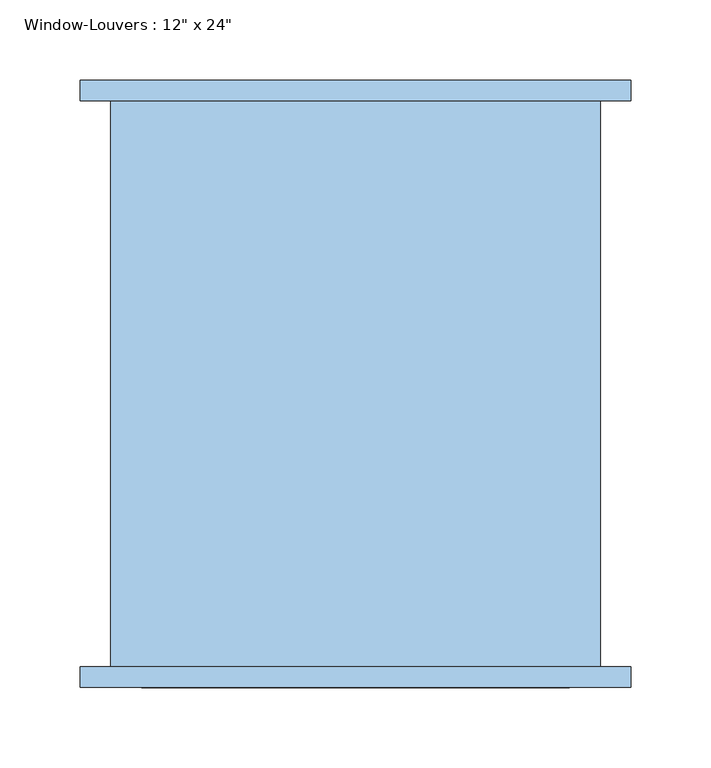
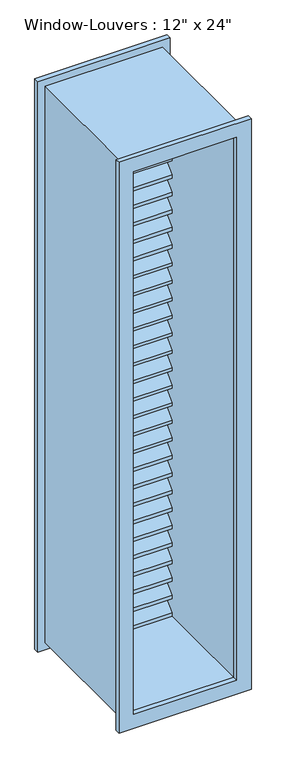
"""IFC4 building model written with IfcOpenShell, lengths in millimetres: window geometry."""

from ifc_helpers import new_model, si_unit, frame, origin, place, context, project, spatial, polyline, outline, extrude, source, transform, mapped, element, save


def window_11e31d5e(model_context):
    return source(origin(), model_context, "Body", "SweptSolid", [
        extrude(outline(polyline([(169.8625, 2333.2893419), (169.8625, 2324.3090857), (131.7625, 2362.4090857), (93.6625, 2324.3090857), (93.6625, 2333.2893419), (131.7625, 2371.3893419), (169.8625, 2333.2893419)])), frame((-133.35, 0.0, 0.0), z_axis=(1.0, 0.0, 0.0), x_axis=(0.0, 1.0, 0.0)), (0.0, 0.0, 1.0), 266.7),
        extrude(outline(polyline([(169.8625, 2285.3286837), (169.8625, 2276.3484276), (131.7625, 2314.4484276), (93.6625, 2276.3484276), (93.6625, 2285.3286837), (131.7625, 2323.4286837), (169.8625, 2285.3286837)])), frame((-133.35, 0.0, 0.0), z_axis=(1.0, 0.0, 0.0), x_axis=(0.0, 1.0, 0.0)), (0.0, 0.0, 1.0), 266.7),
        extrude(outline(polyline([(169.8625, 2237.3680256), (169.8625, 2228.3877695), (131.7625, 2266.4877695), (93.6625, 2228.3877695), (93.6625, 2237.3680256), (131.7625, 2275.4680256), (169.8625, 2237.3680256)])), frame((-133.35, 0.0, 0.0), z_axis=(1.0, 0.0, 0.0), x_axis=(0.0, 1.0, 0.0)), (0.0, 0.0, 1.0), 266.7),
        extrude(outline(polyline([(169.8625, 2189.4073675), (169.8625, 2180.4271114), (131.7625, 2218.5271114), (93.6625, 2180.4271114), (93.6625, 2189.4073675), (131.7625, 2227.5073675), (169.8625, 2189.4073675)])), frame((-133.35, 0.0, 0.0), z_axis=(1.0, 0.0, 0.0), x_axis=(0.0, 1.0, 0.0)), (0.0, 0.0, 1.0), 266.7),
        extrude(outline(polyline([(169.8625, 2141.4467094), (169.8625, 2132.4664532), (131.7625, 2170.5664532), (93.6625, 2132.4664532), (93.6625, 2141.4467094), (131.7625, 2179.5467094), (169.8625, 2141.4467094)])), frame((-133.35, 0.0, 0.0), z_axis=(1.0, 0.0, 0.0), x_axis=(0.0, 1.0, 0.0)), (0.0, 0.0, 1.0), 266.7),
        extrude(outline(polyline([(169.8625, 2093.4860512), (169.8625, 2084.5057951), (131.7625, 2122.6057951), (93.6625, 2084.5057951), (93.6625, 2093.4860512), (131.7625, 2131.5860512), (169.8625, 2093.4860512)])), frame((-133.35, 0.0, 0.0), z_axis=(1.0, 0.0, 0.0), x_axis=(0.0, 1.0, 0.0)), (0.0, 0.0, 1.0), 266.7),
        extrude(outline(polyline([(169.8625, 2045.5253931), (169.8625, 2036.545137), (131.7625, 2074.645137), (93.6625, 2036.545137), (93.6625, 2045.5253931), (131.7625, 2083.6253931), (169.8625, 2045.5253931)])), frame((-133.35, 0.0, 0.0), z_axis=(1.0, 0.0, 0.0), x_axis=(0.0, 1.0, 0.0)), (0.0, 0.0, 1.0), 266.7),
        extrude(outline(polyline([(169.8625, 1997.564735), (169.8625, 1988.5844788), (131.7625, 2026.6844788), (93.6625, 1988.5844788), (93.6625, 1997.564735), (131.7625, 2035.664735), (169.8625, 1997.564735)])), frame((-133.35, 0.0, 0.0), z_axis=(1.0, 0.0, 0.0), x_axis=(0.0, 1.0, 0.0)), (0.0, 0.0, 1.0), 266.7),
        extrude(outline(polyline([(169.8625, 1949.6040768), (169.8625, 1940.6238207), (131.7625, 1978.7238207), (93.6625, 1940.6238207), (93.6625, 1949.6040768), (131.7625, 1987.7040768), (169.8625, 1949.6040768)])), frame((-133.35, 0.0, 0.0), z_axis=(1.0, 0.0, 0.0), x_axis=(0.0, 1.0, 0.0)), (0.0, 0.0, 1.0), 266.7),
        extrude(outline(polyline([(169.8625, 1901.6434187), (169.8625, 1892.6631626), (131.7625, 1930.7631626), (93.6625, 1892.6631626), (93.6625, 1901.6434187), (131.7625, 1939.7434187), (169.8625, 1901.6434187)])), frame((-133.35, 0.0, 0.0), z_axis=(1.0, 0.0, 0.0), x_axis=(0.0, 1.0, 0.0)), (0.0, 0.0, 1.0), 266.7),
        extrude(outline(polyline([(169.8625, 1853.6827606), (169.8625, 1844.7025045), (131.7625, 1882.8025045), (93.6625, 1844.7025045), (93.6625, 1853.6827606), (131.7625, 1891.7827606), (169.8625, 1853.6827606)])), frame((-133.35, 0.0, 0.0), z_axis=(1.0, 0.0, 0.0), x_axis=(0.0, 1.0, 0.0)), (0.0, 0.0, 1.0), 266.7),
        extrude(outline(polyline([(169.8625, 1805.7221024), (169.8625, 1796.7418463), (131.7625, 1834.8418463), (93.6625, 1796.7418463), (93.6625, 1805.7221024), (131.7625, 1843.8221024), (169.8625, 1805.7221024)])), frame((-133.35, 0.0, 0.0), z_axis=(1.0, 0.0, 0.0), x_axis=(0.0, 1.0, 0.0)), (0.0, 0.0, 1.0), 266.7),
        extrude(outline(polyline([(169.8625, 1757.7614443), (169.8625, 1748.7811882), (131.7625, 1786.8811882), (93.6625, 1748.7811882), (93.6625, 1757.7614443), (131.7625, 1795.8614443), (169.8625, 1757.7614443)])), frame((-133.35, 0.0, 0.0), z_axis=(1.0, 0.0, 0.0), x_axis=(0.0, 1.0, 0.0)), (0.0, 0.0, 1.0), 266.7),
        extrude(outline(polyline([(169.8625, 1709.8007862), (169.8625, 1700.8205301), (131.7625, 1738.9205301), (93.6625, 1700.8205301), (93.6625, 1709.8007862), (131.7625, 1747.9007862), (169.8625, 1709.8007862)])), frame((-133.35, 0.0, 0.0), z_axis=(1.0, 0.0, 0.0), x_axis=(0.0, 1.0, 0.0)), (0.0, 0.0, 1.0), 266.7),
        extrude(outline(polyline([(169.8625, 1661.8401281), (169.8625, 1652.8598719), (131.7625, 1690.9598719), (93.6625, 1652.8598719), (93.6625, 1661.8401281), (131.7625, 1699.9401281), (169.8625, 1661.8401281)])), frame((-133.35, 0.0, 0.0), z_axis=(1.0, 0.0, 0.0), x_axis=(0.0, 1.0, 0.0)), (0.0, 0.0, 1.0), 266.7),
        extrude(outline(polyline([(169.8625, 1613.8794699), (169.8625, 1604.8992138), (131.7625, 1642.9992138), (93.6625, 1604.8992138), (93.6625, 1613.8794699), (131.7625, 1651.9794699), (169.8625, 1613.8794699)])), frame((-133.35, 0.0, 0.0), z_axis=(1.0, 0.0, 0.0), x_axis=(0.0, 1.0, 0.0)), (0.0, 0.0, 1.0), 266.7),
        extrude(outline(polyline([(169.8625, 1565.9188118), (169.8625, 1556.9385557), (131.7625, 1595.0385557), (93.6625, 1556.9385557), (93.6625, 1565.9188118), (131.7625, 1604.0188118), (169.8625, 1565.9188118)])), frame((-133.35, 0.0, 0.0), z_axis=(1.0, 0.0, 0.0), x_axis=(0.0, 1.0, 0.0)), (0.0, 0.0, 1.0), 266.7),
        extrude(outline(polyline([(169.8625, 1517.9581537), (169.8625, 1508.9778976), (131.7625, 1547.0778976), (93.6625, 1508.9778976), (93.6625, 1517.9581537), (131.7625, 1556.0581537), (169.8625, 1517.9581537)])), frame((-133.35, 0.0, 0.0), z_axis=(1.0, 0.0, 0.0), x_axis=(0.0, 1.0, 0.0)), (0.0, 0.0, 1.0), 266.7),
        extrude(outline(polyline([(169.8625, 1469.9974955), (169.8625, 1461.0172394), (131.7625, 1499.1172394), (93.6625, 1461.0172394), (93.6625, 1469.9974955), (131.7625, 1508.0974955), (169.8625, 1469.9974955)])), frame((-133.35, 0.0, 0.0), z_axis=(1.0, 0.0, 0.0), x_axis=(0.0, 1.0, 0.0)), (0.0, 0.0, 1.0), 266.7),
        extrude(outline(polyline([(169.8625, 1422.0368374), (169.8625, 1413.0565813), (131.7625, 1451.1565813), (93.6625, 1413.0565813), (93.6625, 1422.0368374), (131.7625, 1460.1368374), (169.8625, 1422.0368374)])), frame((-133.35, 0.0, 0.0), z_axis=(1.0, 0.0, 0.0), x_axis=(0.0, 1.0, 0.0)), (0.0, 0.0, 1.0), 266.7),
        extrude(outline(polyline([(169.8625, 1374.0761793), (169.8625, 1365.0959232), (131.7625, 1403.1959232), (93.6625, 1365.0959232), (93.6625, 1374.0761793), (131.7625, 1412.1761793), (169.8625, 1374.0761793)])), frame((-133.35, 0.0, 0.0), z_axis=(1.0, 0.0, 0.0), x_axis=(0.0, 1.0, 0.0)), (0.0, 0.0, 1.0), 266.7),
        extrude(outline(polyline([(169.8625, 1326.1155212), (169.8625, 1317.135265), (131.7625, 1355.235265), (93.6625, 1317.135265), (93.6625, 1326.1155212), (131.7625, 1364.2155212), (169.8625, 1326.1155212)])), frame((-133.35, 0.0, 0.0), z_axis=(1.0, 0.0, 0.0), x_axis=(0.0, 1.0, 0.0)), (0.0, 0.0, 1.0), 266.7),
        extrude(outline(polyline([(169.8625, 1278.154863), (169.8625, 1269.1746069), (131.7625, 1307.2746069), (93.6625, 1269.1746069), (93.6625, 1278.154863), (131.7625, 1316.254863), (169.8625, 1278.154863)])), frame((-133.35, 0.0, 0.0), z_axis=(1.0, 0.0, 0.0), x_axis=(0.0, 1.0, 0.0)), (0.0, 0.0, 1.0), 266.7),
        extrude(outline(polyline([(169.8625, 1230.1942049), (169.8625, 1221.2139488), (131.7625, 1259.3139488), (93.6625, 1221.2139488), (93.6625, 1230.1942049), (131.7625, 1268.2942049), (169.8625, 1230.1942049)])), frame((-133.35, 0.0, 0.0), z_axis=(1.0, 0.0, 0.0), x_axis=(0.0, 1.0, 0.0)), (0.0, 0.0, 1.0), 266.7),
        extrude(outline(polyline([(169.8625, 1182.2335468), (169.8625, 1173.2532906), (131.7625, 1211.3532906), (93.6625, 1173.2532906), (93.6625, 1182.2335468), (131.7625, 1220.3335468), (169.8625, 1182.2335468)])), frame((-133.35, 0.0, 0.0), z_axis=(1.0, 0.0, 0.0), x_axis=(0.0, 1.0, 0.0)), (0.0, 0.0, 1.0), 266.7),
        extrude(outline(polyline([(169.8625, 1134.2728886), (169.8625, 1125.2926325), (131.7625, 1163.3926325), (93.6625, 1125.2926325), (93.6625, 1134.2728886), (131.7625, 1172.3728886), (169.8625, 1134.2728886)])), frame((-133.35, 0.0, 0.0), z_axis=(1.0, 0.0, 0.0), x_axis=(0.0, 1.0, 0.0)), (0.0, 0.0, 1.0), 266.7),
        extrude(outline(polyline([(169.8625, 1086.3122305), (169.8625, 1077.3319744), (131.7625, 1115.4319744), (93.6625, 1077.3319744), (93.6625, 1086.3122305), (131.7625, 1124.4122305), (169.8625, 1086.3122305)])), frame((-133.35, 0.0, 0.0), z_axis=(1.0, 0.0, 0.0), x_axis=(0.0, 1.0, 0.0)), (0.0, 0.0, 1.0), 266.7),
        extrude(outline(polyline([(169.8625, 1038.3515724), (169.8625, 1029.3713163), (131.7625, 1067.4713163), (93.6625, 1029.3713163), (93.6625, 1038.3515724), (131.7625, 1076.4515724), (169.8625, 1038.3515724)])), frame((-133.35, 0.0, 0.0), z_axis=(1.0, 0.0, 0.0), x_axis=(0.0, 1.0, 0.0)), (0.0, 0.0, 1.0), 266.7),
        extrude(outline(polyline([(169.8625, 990.3909143), (169.8625, 981.4106581), (131.7625, 1019.5106581), (93.6625, 981.4106581), (93.6625, 990.3909143), (131.7625, 1028.4909143), (169.8625, 990.3909143)])), frame((-133.35, 0.0, 0.0), z_axis=(1.0, 0.0, 0.0), x_axis=(0.0, 1.0, 0.0)), (0.0, 0.0, 1.0), 266.7),
        extrude(outline(polyline([(169.8625, 2381.25), (169.8625, 2372.2697439), (131.7625, 2410.3697439), (93.6625, 2372.2697439), (93.6625, 2381.25), (131.7625, 2419.35), (169.8625, 2381.25)])), frame((-133.35, 0.0, 0.0), z_axis=(1.0, 0.0, 0.0), x_axis=(0.0, 1.0, 0.0)), (0.0, 0.0, 1.0), 266.7),
        extrude(outline(polyline([(169.8625, 942.4302561), (169.8625, 933.45), (131.7625, 971.55), (93.6625, 933.45), (93.6625, 942.4302561), (131.7625, 980.5302561), (169.8625, 942.4302561)])), frame((-133.35, 0.0, 0.0), z_axis=(1.0, 0.0, 0.0), x_axis=(0.0, 1.0, 0.0)), (0.0, 0.0, 1.0), 266.7),
        extrude(outline(polyline([(2457.45, -171.45), (895.35, -171.45), (895.35, 171.45), (2457.45, 171.45), (2457.45, -171.45)]), holes=[polyline([(2419.35, -133.35), (2419.35, 133.35), (933.45, 133.35), (933.45, -133.35), (2419.35, -133.35)])]), frame((0.0, 169.8625, 0.0), z_axis=(0.0, 1.0, 0.0), x_axis=(0.0, 0.0, 1.0)), (0.0, 0.0, 1.0), 12.7),
        extrude(outline(polyline([(2457.45, 171.45), (2457.45, -171.45), (895.35, -171.45), (895.35, 171.45), (2457.45, 171.45)]), holes=[polyline([(2419.35, 133.35), (933.45, 133.35), (933.45, -133.35), (2419.35, -133.35), (2419.35, 133.35)])]), frame((0.0, -195.2625, 0.0), z_axis=(0.0, 1.0, 0.0), x_axis=(0.0, 0.0, 1.0)), (0.0, 0.0, 1.0), 12.7),
        extrude(outline(polyline([(2438.4, 152.4), (2438.4, -152.4), (914.4, -152.4), (914.4, 152.4), (2438.4, 152.4)]), holes=[polyline([(2419.35, 133.35), (933.45, 133.35), (933.45, -133.35), (2419.35, -133.35), (2419.35, 133.35)])]), frame((0.0, -182.5625, 0.0), z_axis=(0.0, 1.0, 0.0), x_axis=(0.0, 0.0, 1.0)), (0.0, 0.0, 1.0), 352.425),
    ])


if __name__ == "__main__":
    model = new_model("IFC4")
    model_context = context("Model", 3, world=origin())
    ifc_project = project(units=[si_unit("LENGTHUNIT", "METRE", prefix="MILLI")], contexts=[model_context])
    site = spatial("IfcSite", under=ifc_project)
    building = spatial("IfcBuilding", under=site)
    placement = place(None, origin())
    window_shape = window_11e31d5e(model_context)
    element("IfcWindow", 1, ObjectType="Window-Louvers : 12\" x 24\"", at=placement, inside=building, context=model_context, shape_type="MappedRepresentation", body=[
        mapped(window_shape, transform((0.0, 0.0, 0.0), x_axis=(1.0, 0.0, 0.0), y_axis=(0.0, 1.0, 0.0), z_axis=(0.0, 0.0, 1.0))),
    ])
    save(model, "model.ifc")
